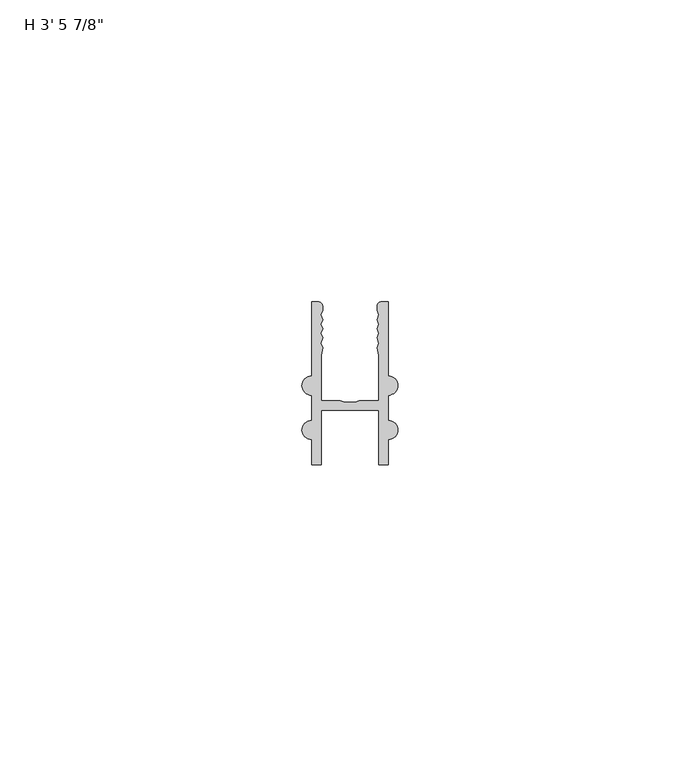
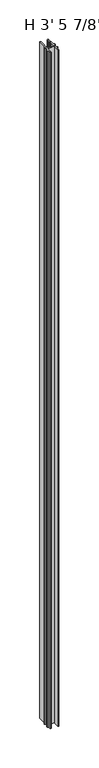
"""IFC4 building model written with IfcOpenShell, lengths in millimetres: proxy geometry."""

from ifc_helpers import new_model, si_unit, point, frame_2d, origin, origin_with_axes, place, context, project, spatial, polyline, circle_curve, trimmed, segment, composite_curve, outline, extrude, source, transform, mapped, element, save


def proxy_0f30367a(model_context):
    return source(origin(), model_context, "Body", "SweptSolid", [
        extrude(outline(composite_curve([segment(polyline([(1.5875, 18.085932), (2.8080426, 18.085932)]), True, "CONTINUOUS"), segment(trimmed(circle_curve(frame_2d((2.8080426, 17.4877721)), 0.5981599), [point((2.8080426, 18.085932))], [point((3.4062025, 17.4877721))], False, "CARTESIAN"), True, "CONTINUOUS"), segment(polyline([(3.4062025, 17.4877721), (3.4062025, 16.6930116), (3.1452081, 15.9350289), (3.4062025, 15.1770461), (3.1452081, 14.4190633), (3.4062025, 13.6610805), (3.1452081, 12.9030978), (3.4062025, 12.145115), (3.1452081, 11.287131), (3.4062025, 10.5291482), (3.175, 9.2564381), (3.175, 1.6988081), (6.35, 1.6988081), (7.0910497, 1.4436443), (8.7839503, 1.4436443), (9.525, 1.6988081), (12.7, 1.6988081), (12.7, 9.2564381), (12.4687975, 10.5291482), (12.7297919, 11.287131), (12.4687975, 12.145115), (12.7297919, 12.9030978), (12.4687975, 13.6610805), (12.7297919, 14.4190633), (12.4687975, 15.1770461), (12.7297919, 15.9350289), (12.4687975, 16.6930116), (12.4687975, 17.4877721)]), True, "CONTINUOUS"), segment(trimmed(circle_curve(frame_2d((13.0669574, 17.4877721)), 0.5981599), [point((12.4687975, 17.4877721))], [point((13.0669574, 18.085932))], False, "CARTESIAN"), True, "CONTINUOUS"), segment(polyline([(13.0669574, 18.085932), (14.2875, 18.085932), (14.2875, 5.8199581)]), True, "CONTINUOUS"), segment(trimmed(circle_curve(frame_2d((14.2875, 4.2324581)), 1.5875), [point((14.2875, 5.8199581))], [point((15.875, 4.2324581))], False, "CARTESIAN"), True, "CONTINUOUS"), segment(trimmed(circle_curve(frame_2d((14.2875, 4.2324581)), 1.5875), [point((15.875, 4.2324581))], [point((14.2875, 2.6449581))], False, "CARTESIAN"), True, "CONTINUOUS"), segment(polyline([(14.2875, 2.6449581), (14.2875, -1.5333419)]), True, "CONTINUOUS"), segment(trimmed(circle_curve(frame_2d((14.2875, -3.1208419)), 1.5875), [point((14.2875, -1.5333419))], [point((15.875, -3.1208419))], False, "CARTESIAN"), True, "CONTINUOUS"), segment(trimmed(circle_curve(frame_2d((14.2875, -3.1208419)), 1.5875), [point((15.875, -3.1208419))], [point((14.2875, -4.7083419))], False, "CARTESIAN"), True, "CONTINUOUS"), segment(polyline([(14.2875, -4.7083419), (14.2875, -8.8993419), (12.7, -8.8993419), (12.7, 0.1748081), (3.175, 0.1748081), (3.175, -8.8993419), (1.5875, -8.8993419), (1.5875, -4.7083419)]), True, "CONTINUOUS"), segment(trimmed(circle_curve(frame_2d((1.5875, -3.1208419)), 1.5875), [point((1.5875, -4.7083419))], [point((0.0, -3.1208419))], False, "CARTESIAN"), True, "CONTINUOUS"), segment(trimmed(circle_curve(frame_2d((1.5875, -3.1208419)), 1.5875), [point((0.0, -3.1208419))], [point((1.5875, -1.5333419))], False, "CARTESIAN"), True, "CONTINUOUS"), segment(polyline([(1.5875, -1.5333419), (1.5875, 2.6449581)]), True, "CONTINUOUS"), segment(trimmed(circle_curve(frame_2d((1.5875, 4.2324581)), 1.5875), [point((1.5875, 2.6449581))], [point((0.0, 4.2324581))], False, "CARTESIAN"), True, "CONTINUOUS"), segment(trimmed(circle_curve(frame_2d((1.5875, 4.2324581)), 1.5875), [point((0.0, 4.2324581))], [point((1.5875, 5.8199581))], False, "CARTESIAN"), True, "CONTINUOUS"), segment(polyline([(1.5875, 5.8199581), (1.5875, 18.085932)]), True, "CONTINUOUS")], self_intersect=False)), origin_with_axes(), (0.0, 0.0, 1.0), 1063.625),
    ])


if __name__ == "__main__":
    model = new_model("IFC4")
    model_context = context("Model", 3, world=origin())
    ifc_project = project(units=[si_unit("LENGTHUNIT", "METRE", prefix="MILLI")], contexts=[model_context])
    site = spatial("IfcSite", under=ifc_project)
    building = spatial("IfcBuilding", under=site)
    placement = place(None, origin())
    proxy_shape = proxy_0f30367a(model_context)
    element("IfcBuildingElementProxy", 1, Name="H 3' 5 7/8\"", ObjectType="H 3' 5 7/8\"", at=placement, inside=building, context=model_context, shape_type="MappedRepresentation", body=[
        mapped(proxy_shape, transform((0.0, 0.0, 0.0), x_axis=(1.0, 0.0, 0.0), y_axis=(0.0, 1.0, 0.0), z_axis=(0.0, 0.0, 1.0))),
    ])
    save(model, "model.ifc")
